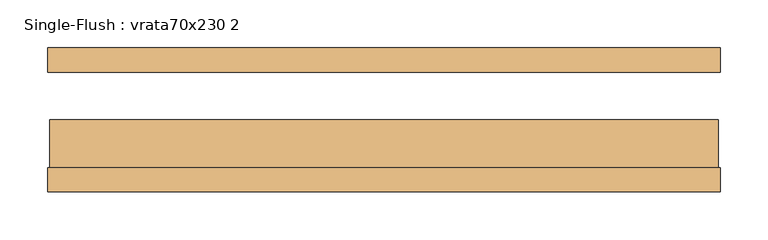
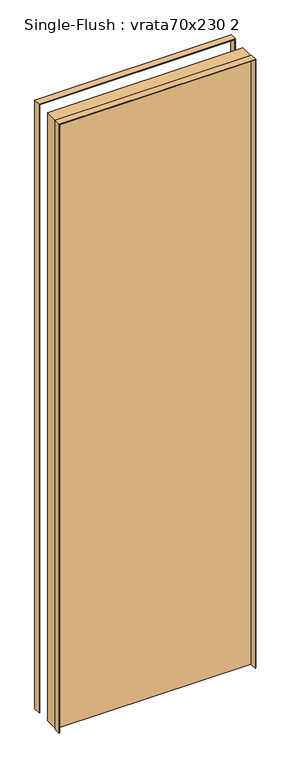
"""IFC4 building model written with IfcOpenShell, lengths in millimetres: door geometry, Single-Flush : vrata70x230 2."""

from ifc_helpers import new_model, si_unit, frame, origin, origin_with_axes, place, context, project, spatial, polyline, outline, extrude, source, transform, mapped, element, save


def single_flush_vrata70x230_2_49b28cc9(model_context):
    return source(origin(), model_context, "Body", "SweptSolid", [
        extrude(outline(polyline([(2302.0, -352.0), (0.0, -352.0), (0.0, -350.0), (2300.0, -350.0), (2300.0, 350.0), (0.0, 350.0), (0.0, 352.0), (2302.0, 352.0), (2302.0, -352.0)])), frame((0.0, -75.4, 0.0), z_axis=(0.0, 1.0, 0.0), x_axis=(0.0, 0.0, 1.0)), (0.0, 0.0, 1.0), 25.4),
        extrude(outline(polyline([(2302.0, 352.0), (2302.0, -352.0), (0.0, -352.0), (0.0, -350.0), (2300.0, -350.0), (2300.0, 350.0), (0.0, 350.0), (0.0, 352.0), (2302.0, 352.0)])), frame((0.0, 50.0, 0.0), z_axis=(0.0, 1.0, 0.0), x_axis=(0.0, 0.0, 1.0)), (0.0, 0.0, 1.0), 25.4),
        extrude(outline(polyline([(350.0, 0.0), (350.0, -50.0), (-350.0, -50.0), (-350.0, 0.0), (350.0, 0.0)])), origin_with_axes(), (0.0, 0.0, 1.0), 2300.0),
    ])


if __name__ == "__main__":
    model = new_model("IFC4")
    model_context = context("Model", 3, world=origin())
    ifc_project = project(units=[si_unit("LENGTHUNIT", "METRE", prefix="MILLI")], contexts=[model_context])
    site = spatial("IfcSite", under=ifc_project)
    building = spatial("IfcBuilding", under=site)
    placement = place(None, origin())
    single_flush_vrata70x230_2_shape = single_flush_vrata70x230_2_49b28cc9(model_context)
    element("IfcDoor", 1, ObjectType="Single-Flush : vrata70x230 2", at=placement, inside=building, context=model_context, shape_type="MappedRepresentation", body=[
        mapped(single_flush_vrata70x230_2_shape, transform((0.0, 0.0, 0.0), x_axis=(1.0, 0.0, 0.0), y_axis=(0.0, 1.0, 0.0), z_axis=(0.0, 0.0, 1.0))),
    ])
    save(model, "model.ifc")
